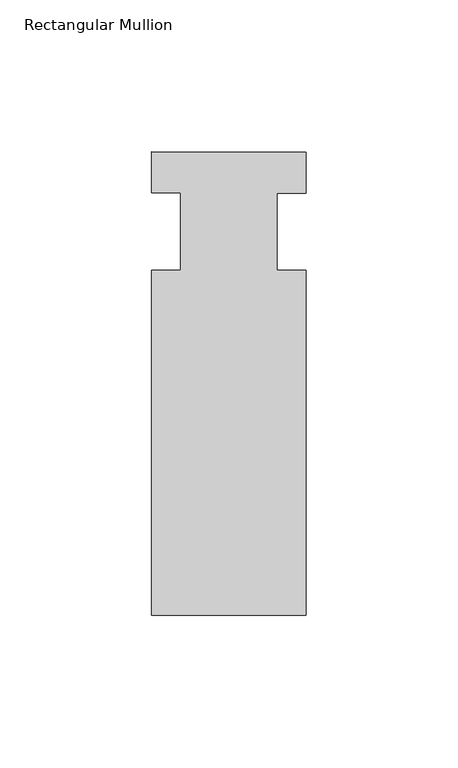
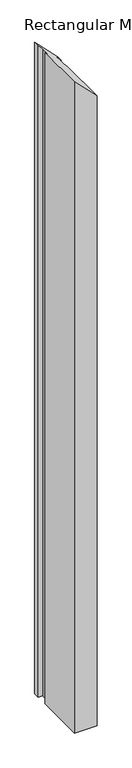
"""IFC4 building model written with IfcOpenShell, lengths in millimetres: member geometry, Rectangular Mullion."""

from ifc_helpers import new_model, si_unit, origin, place, context, project, spatial, faceted_brep, source, transform, mapped, element, save


def rectangular_mullion_1ec45694(model_context):
    return source(origin(), model_context, "Body", "Brep", [
        faceted_brep([(-25.4, 26.19375, -1460.5), (25.4, 26.19375, -1460.5), (25.4, 12.7, -1460.5), (15.875, 12.7, -1460.5), (15.875, -12.7, -1460.5), (25.4, -12.7, -1460.5), (25.4, -126.20625, -1460.5), (-25.4, -126.20625, -1460.5), (-25.4, -12.7, -1460.5), (-15.875, -12.7, -1460.5), (-15.875, 12.7, -1460.5), (-25.4, 12.7, -1460.5), (-25.4, 12.7, 66.675), (-25.4, 26.19375, 66.675), (-15.875, 12.7, 57.15), (-15.875, -12.7, 57.15), (-25.4, -12.7, 66.675), (-25.4, -126.20625, 66.675), (25.4, -126.20625, 15.875), (25.4, -12.7, 15.875), (15.875, -12.7, 25.4), (15.875, 12.7, 25.4), (25.4, 12.7, 15.875), (25.4, 26.19375, 15.875)], [[[0, 1, 2, 3, 4, 5, 6, 7, 8, 9, 10, 11]], [[12, 13, 0, 11]], [[14, 12, 11, 10]], [[15, 14, 10, 9]], [[16, 15, 9, 8]], [[17, 16, 8, 7]], [[18, 17, 7, 6]], [[19, 18, 6, 5]], [[20, 19, 5, 4]], [[21, 20, 4, 3]], [[22, 21, 3, 2]], [[23, 22, 2, 1]], [[13, 23, 1, 0]], [[13, 12, 14, 15, 16, 17, 18, 19, 20, 21, 22, 23]]]),
    ])


if __name__ == "__main__":
    model = new_model("IFC4")
    model_context = context("Model", 3, world=origin())
    ifc_project = project(units=[si_unit("LENGTHUNIT", "METRE", prefix="MILLI")], contexts=[model_context])
    site = spatial("IfcSite", under=ifc_project)
    building = spatial("IfcBuilding", under=site)
    placement = place(None, origin())
    rectangular_mullion_shape = rectangular_mullion_1ec45694(model_context)
    element("IfcMember", 1, ObjectType="Rectangular Mullion", at=placement, inside=building, context=model_context, shape_type="MappedRepresentation", body=[
        mapped(rectangular_mullion_shape, transform((0.0, 0.0, 0.0), x_axis=(1.0, 0.0, 0.0), y_axis=(0.0, 1.0, 0.0), z_axis=(0.0, 0.0, 1.0))),
    ])
    save(model, "model.ifc")
